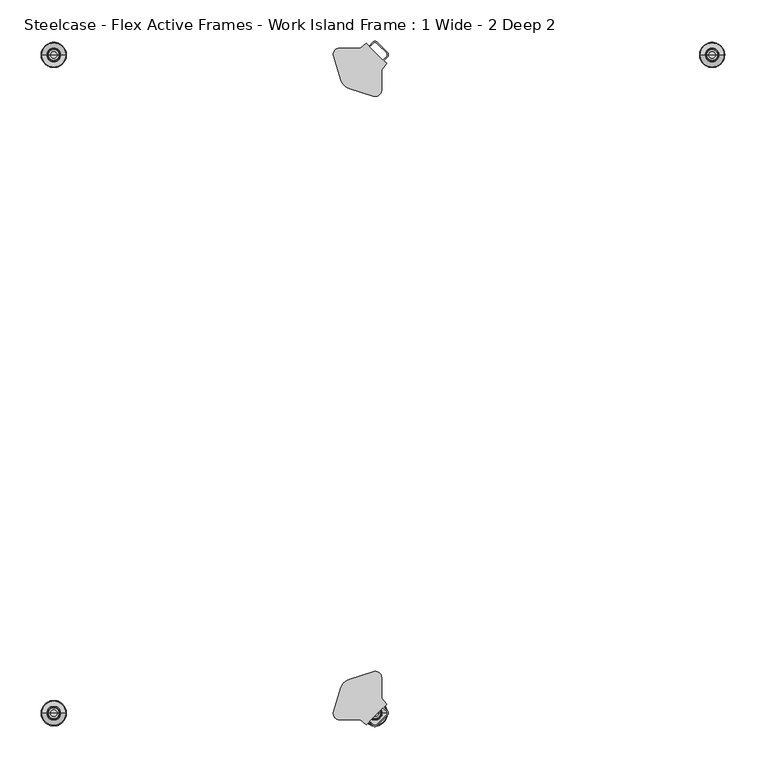
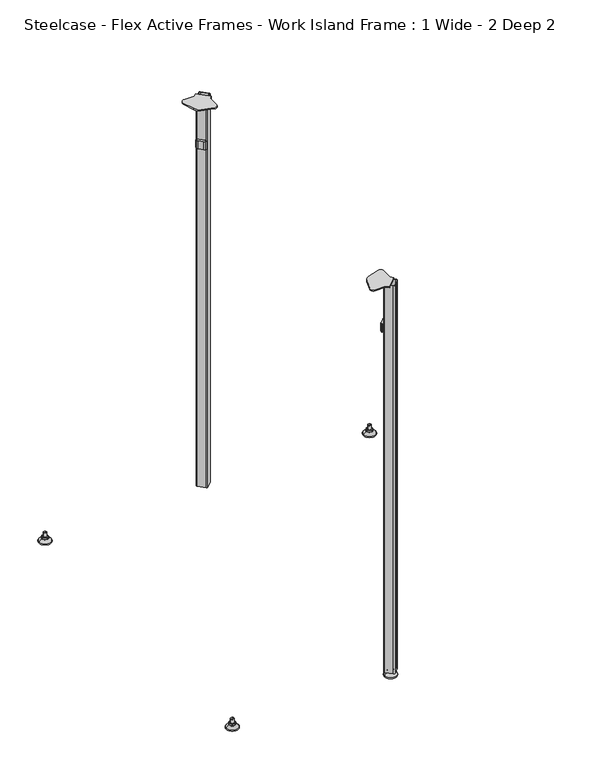
"""IFC4 building model written with IfcOpenShell, lengths in millimetres: furniture geometry, Steelcase - Flex Active Frames - Work Island Frame : 1 Wide - 2 Deep 2."""

from ifc_helpers import new_model, si_unit, point, frame, frame_2d, origin, place, context, project, spatial, polyline, circle_curve, ellipse_curve, trimmed, segment, composite_curve, outline, extrude, source, transform, mapped, element, save
from ifc_brep_helpers import plane_surface, cylinder_surface, revolved_surface, advanced_brep


def steelcase_flex_active_frames_work_island_frame_1_wide_2_deep_d3261eee(model_context):
    return source(origin(), model_context, "Body", "SolidModel", [
        advanced_brep(
        [(795.4995166, 795.4046323, 0.0), (781.5507958, 795.4046323, 0.0), (809.4482375, 795.4046323, 0.0), (780.6038882, 795.4046323, 2.116325), (810.3951451, 795.4046323, 2.116325), (786.7561321, 795.4046323, 8.9997406), (804.2429012, 795.4046323, 8.9997406), (788.0986481, 795.4046323, 8.9997406), (802.9003852, 795.4046323, 8.9997406), (788.0986481, 795.4046323, 12.0919909), (802.9003852, 795.4046323, 12.0919909), (788.6066481, 795.4046323, 12.5999909), (802.3923852, 795.4046323, 12.5999909), (791.4801863, 795.4046323, 12.5999909), (799.518847, 795.4046323, 12.5999909), (791.4801863, 795.4046323, 22.7146261), (799.518847, 795.4046323, 22.7146261), (795.4995166, 795.4046323, 22.7146261)],
        [
            (0, 1),
            (1, 2, circle_curve(frame((795.4995166, 795.4046323, 0.0), z_axis=(0.0, 0.0, -1.0), x_axis=(1.0, 0.0, 0.0)), 13.9487209)),
            (2, 0),
            (2, 1, circle_curve(frame((795.4995166, 795.4046323, 0.0), z_axis=(0.0, 0.0, -1.0), x_axis=(1.0, 0.0, 0.0)), 13.9487209)),
            (1, 3, circle_curve(frame((781.5507958, 795.4046323, 1.27), z_axis=(0.0, 1.0, 0.0), x_axis=(-1.0, 0.0, 0.0)), 1.27)),
            (3, 4, circle_curve(frame((795.4995166, 795.4046323, 2.116325), z_axis=(0.0, 0.0, -1.0), x_axis=(1.0, 0.0, 0.0)), 14.8956285)),
            (4, 2, circle_curve(frame((809.4482375, 795.4046323, 1.27), z_axis=(0.0, 1.0, 0.0), x_axis=(1.0, 0.0, 0.0)), 1.27)),
            (4, 3, circle_curve(frame((795.4995166, 795.4046323, 2.116325), z_axis=(0.0, 0.0, -1.0), x_axis=(1.0, 0.0, 0.0)), 14.8956285)),
            (3, 5),
            (5, 6, circle_curve(frame((795.4995166, 795.4046323, 8.9997406), z_axis=(0.0, 0.0, -1.0), x_axis=(1.0, 0.0, 0.0)), 8.7433846)),
            (6, 4),
            (6, 5, circle_curve(frame((795.4995166, 795.4046323, 8.9997406), z_axis=(0.0, 0.0, -1.0), x_axis=(1.0, 0.0, 0.0)), 8.7433846)),
            (5, 7),
            (7, 8, circle_curve(frame((795.4995166, 795.4046323, 8.9997406), z_axis=(0.0, 0.0, -1.0), x_axis=(1.0, 0.0, 0.0)), 7.4008685)),
            (8, 6),
            (8, 7, circle_curve(frame((795.4995166, 795.4046323, 8.9997406), z_axis=(0.0, 0.0, -1.0), x_axis=(1.0, 0.0, 0.0)), 7.4008685)),
            (7, 9),
            (9, 10, circle_curve(frame((795.4995166, 795.4046323, 12.0919909), z_axis=(0.0, 0.0, -1.0), x_axis=(1.0, 0.0, 0.0)), 7.4008685)),
            (10, 8),
            (10, 9, circle_curve(frame((795.4995166, 795.4046323, 12.0919909), z_axis=(0.0, 0.0, -1.0), x_axis=(1.0, 0.0, 0.0)), 7.4008685)),
            (9, 11, circle_curve(frame((788.6066481, 795.4046323, 12.0919909), z_axis=(0.0, 1.0, 0.0), x_axis=(-1.0, 0.0, 0.0)), 0.508)),
            (11, 12, circle_curve(frame((795.4995166, 795.4046323, 12.5999909), z_axis=(0.0, 0.0, -1.0), x_axis=(1.0, 0.0, 0.0)), 6.8928685)),
            (12, 10, circle_curve(frame((802.3923852, 795.4046323, 12.0919909), z_axis=(0.0, 1.0, 0.0), x_axis=(1.0, 0.0, 0.0)), 0.508)),
            (12, 11, circle_curve(frame((795.4995166, 795.4046323, 12.5999909), z_axis=(0.0, 0.0, -1.0), x_axis=(1.0, 0.0, 0.0)), 6.8928685)),
            (11, 13),
            (13, 14, circle_curve(frame((795.4995166, 795.4046323, 12.5999909), z_axis=(0.0, 0.0, -1.0), x_axis=(1.0, 0.0, 0.0)), 4.0193303)),
            (14, 12),
            (14, 13, circle_curve(frame((795.4995166, 795.4046323, 12.5999909), z_axis=(0.0, 0.0, -1.0), x_axis=(1.0, 0.0, 0.0)), 4.0193303)),
            (13, 15),
            (15, 16, circle_curve(frame((795.4995166, 795.4046323, 22.7146261), z_axis=(0.0, 0.0, -1.0), x_axis=(1.0, 0.0, 0.0)), 4.0193303)),
            (16, 14),
            (16, 15, circle_curve(frame((795.4995166, 795.4046323, 22.7146261), z_axis=(0.0, 0.0, -1.0), x_axis=(1.0, 0.0, 0.0)), 4.0193303)),
            (15, 17),
            (17, 16),
        ],
        [
            plane_surface(frame((795.4995166, 795.4046323, 0.0), z_axis=(0.0, 0.0, -1.0), x_axis=(1.0, 0.0, 0.0))),
            revolved_surface(trimmed(ellipse_curve(frame((809.4482375, 795.4046323, 1.27), z_axis=(0.0, 1.0, 0.0), x_axis=(1.0, 0.0, 0.0)), 1.27, 1.27), [point((810.3951451, 795.4046323, 2.116325))], [point((809.4482375, 795.4046323, 0.0))], True, "CARTESIAN"), (795.4995166, 795.4046323, 32.0514718), (0.0, 0.0, -1.0)),
            revolved_surface(polyline([(804.2429012, 795.4046323, 8.9997406), (810.3951451, 795.4046323, 2.116325)]), (795.4995166, 795.4046323, 32.0514718), (0.0, 0.0, -1.0)),
            plane_surface(frame((795.4995166, 795.4046323, 8.9997406), z_axis=(0.0, 0.0, 1.0), x_axis=(1.0, 0.0, 0.0))),
            cylinder_surface(frame((795.4995166, 795.4046323, 32.0514718), z_axis=(0.0, 0.0, -1.0), x_axis=(1.0, 0.0, 0.0)), 7.4008685),
            revolved_surface(trimmed(ellipse_curve(frame((802.3923852, 795.4046323, 12.0919909), z_axis=(0.0, 1.0, 0.0), x_axis=(1.0, 0.0, 0.0)), 0.508, 0.508), [point((802.3923852, 795.4046323, 12.5999909))], [point((802.9003852, 795.4046323, 12.0919909))], True, "CARTESIAN"), (795.4995166, 795.4046323, 32.0514718), (0.0, 0.0, -1.0)),
            plane_surface(frame((795.4995166, 795.4046323, 12.5999909), z_axis=(0.0, 0.0, 1.0), x_axis=(1.0, 0.0, 0.0))),
            cylinder_surface(frame((795.4995166, 795.4046323, 32.0514718), z_axis=(0.0, 0.0, -1.0), x_axis=(1.0, 0.0, 0.0)), 4.0193303),
            plane_surface(frame((795.4995166, 795.4046323, 22.7146261), z_axis=(0.0, 0.0, 1.0), x_axis=(1.0, 0.0, 0.0))),
        ],
        [
            (0, [[1, 2, 3]]),
            (0, [[-3, 4, -1]]),
            (1, [[5, 6, 7, -2]]),
            (1, [[-7, 8, -5, -4]]),
            (2, [[9, 10, 11, -6]]),
            (2, [[-11, 12, -9, -8]]),
            (3, [[13, 14, 15, -10]]),
            (3, [[-15, 16, -13, -12]]),
            (4, [[17, 18, 19, -14]]),
            (4, [[-19, 20, -17, -16]]),
            (5, [[21, 22, 23, -18]]),
            (5, [[-23, 24, -21, -20]]),
            (6, [[25, 26, 27, -22]]),
            (6, [[-27, 28, -25, -24]]),
            (7, [[29, 30, 31, -26]]),
            (7, [[-31, 32, -29, -28]]),
            (8, [[33, 34, -30]]),
            (8, [[-34, -33, -32]]),
        ],
    ),
        advanced_brep(
        [(386.5595166, -2.9246323, 0.0), (400.5082375, -2.9246323, 0.0), (372.6107958, -2.9246323, 0.0), (401.4551451, -2.9246323, 2.116325), (371.6638882, -2.9246323, 2.116325), (395.3029012, -2.9246323, 8.9997406), (377.8161321, -2.9246323, 8.9997406), (393.9603852, -2.9246323, 8.9997406), (379.1586481, -2.9246323, 8.9997406), (393.9603852, -2.9246323, 12.0919909), (379.1586481, -2.9246323, 12.0919909), (393.4523852, -2.9246323, 12.5999909), (379.6666481, -2.9246323, 12.5999909), (390.578847, -2.9246323, 12.5999909), (382.5401863, -2.9246323, 12.5999909), (390.578847, -2.9246323, 22.7146261), (382.5401863, -2.9246323, 22.7146261), (386.5595166, -2.9246323, 22.7146261)],
        [
            (0, 1),
            (1, 2, circle_curve(frame((386.5595166, -2.9246323, 0.0), z_axis=(0.0, 0.0, -1.0), x_axis=(1.0, 0.0, 0.0)), 13.9487209)),
            (2, 0),
            (2, 1, circle_curve(frame((386.5595166, -2.9246323, 0.0), z_axis=(0.0, 0.0, -1.0), x_axis=(1.0, 0.0, 0.0)), 13.9487209)),
            (1, 3, circle_curve(frame((400.5082375, -2.9246323, 1.27), z_axis=(0.0, -1.0, 0.0), x_axis=(1.0, 0.0, 0.0)), 1.27)),
            (3, 4, circle_curve(frame((386.5595166, -2.9246323, 2.116325), z_axis=(0.0, 0.0, -1.0), x_axis=(1.0, 0.0, 0.0)), 14.8956285)),
            (4, 2, circle_curve(frame((372.6107958, -2.9246323, 1.27), z_axis=(0.0, -1.0, 0.0), x_axis=(-1.0, 0.0, 0.0)), 1.27)),
            (4, 3, circle_curve(frame((386.5595166, -2.9246323, 2.116325), z_axis=(0.0, 0.0, -1.0), x_axis=(1.0, 0.0, 0.0)), 14.8956285)),
            (3, 5),
            (5, 6, circle_curve(frame((386.5595166, -2.9246323, 8.9997406), z_axis=(0.0, 0.0, -1.0), x_axis=(1.0, 0.0, 0.0)), 8.7433846)),
            (6, 4),
            (6, 5, circle_curve(frame((386.5595166, -2.9246323, 8.9997406), z_axis=(0.0, 0.0, -1.0), x_axis=(1.0, 0.0, 0.0)), 8.7433846)),
            (5, 7),
            (7, 8, circle_curve(frame((386.5595166, -2.9246323, 8.9997406), z_axis=(0.0, 0.0, -1.0), x_axis=(1.0, 0.0, 0.0)), 7.4008685)),
            (8, 6),
            (8, 7, circle_curve(frame((386.5595166, -2.9246323, 8.9997406), z_axis=(0.0, 0.0, -1.0), x_axis=(1.0, 0.0, 0.0)), 7.4008685)),
            (7, 9),
            (9, 10, circle_curve(frame((386.5595166, -2.9246323, 12.0919909), z_axis=(0.0, 0.0, -1.0), x_axis=(1.0, 0.0, 0.0)), 7.4008685)),
            (10, 8),
            (10, 9, circle_curve(frame((386.5595166, -2.9246323, 12.0919909), z_axis=(0.0, 0.0, -1.0), x_axis=(1.0, 0.0, 0.0)), 7.4008685)),
            (9, 11, circle_curve(frame((393.4523852, -2.9246323, 12.0919909), z_axis=(0.0, -1.0, 0.0), x_axis=(1.0, 0.0, 0.0)), 0.508)),
            (11, 12, circle_curve(frame((386.5595166, -2.9246323, 12.5999909), z_axis=(0.0, 0.0, -1.0), x_axis=(1.0, 0.0, 0.0)), 6.8928685)),
            (12, 10, circle_curve(frame((379.6666481, -2.9246323, 12.0919909), z_axis=(0.0, -1.0, 0.0), x_axis=(-1.0, 0.0, 0.0)), 0.508)),
            (12, 11, circle_curve(frame((386.5595166, -2.9246323, 12.5999909), z_axis=(0.0, 0.0, -1.0), x_axis=(1.0, 0.0, 0.0)), 6.8928685)),
            (11, 13),
            (13, 14, circle_curve(frame((386.5595166, -2.9246323, 12.5999909), z_axis=(0.0, 0.0, -1.0), x_axis=(1.0, 0.0, 0.0)), 4.0193303)),
            (14, 12),
            (14, 13, circle_curve(frame((386.5595166, -2.9246323, 12.5999909), z_axis=(0.0, 0.0, -1.0), x_axis=(1.0, 0.0, 0.0)), 4.0193303)),
            (13, 15),
            (15, 16, circle_curve(frame((386.5595166, -2.9246323, 22.7146261), z_axis=(0.0, 0.0, -1.0), x_axis=(1.0, 0.0, 0.0)), 4.0193303)),
            (16, 14),
            (16, 15, circle_curve(frame((386.5595166, -2.9246323, 22.7146261), z_axis=(0.0, 0.0, -1.0), x_axis=(1.0, 0.0, 0.0)), 4.0193303)),
            (15, 17),
            (17, 16),
        ],
        [
            plane_surface(frame((386.5595166, -2.9246323, 0.0), z_axis=(0.0, 0.0, -1.0), x_axis=(1.0, 0.0, 0.0))),
            revolved_surface(trimmed(ellipse_curve(frame((400.5082375, -2.9246323, 1.27), z_axis=(0.0, 1.0, 0.0), x_axis=(1.0, 0.0, 0.0)), 1.27, 1.27), [point((401.4551451, -2.9246323, 2.116325))], [point((400.5082375, -2.9246323, 0.0))], True, "CARTESIAN"), (386.5595166, -2.9246323, 32.0514718), (0.0, 0.0, -1.0)),
            revolved_surface(polyline([(395.3029012, -2.9246323, 8.9997406), (401.4551451, -2.9246323, 2.116325)]), (386.5595166, -2.9246323, 32.0514718), (0.0, 0.0, -1.0)),
            plane_surface(frame((386.5595166, -2.9246323, 8.9997406), z_axis=(0.0, 0.0, 1.0), x_axis=(1.0, 0.0, 0.0))),
            cylinder_surface(frame((386.5595166, -2.9246323, 32.0514718), z_axis=(0.0, 0.0, -1.0), x_axis=(1.0, 0.0, 0.0)), 7.4008685),
            revolved_surface(trimmed(ellipse_curve(frame((393.4523852, -2.9246323, 12.0919909), z_axis=(0.0, 1.0, 0.0), x_axis=(1.0, 0.0, 0.0)), 0.508, 0.508), [point((393.4523852, -2.9246323, 12.5999909))], [point((393.9603852, -2.9246323, 12.0919909))], True, "CARTESIAN"), (386.5595166, -2.9246323, 32.0514718), (0.0, 0.0, -1.0)),
            plane_surface(frame((386.5595166, -2.9246323, 12.5999909), z_axis=(0.0, 0.0, 1.0), x_axis=(1.0, 0.0, 0.0))),
            cylinder_surface(frame((386.5595166, -2.9246323, 32.0514718), z_axis=(0.0, 0.0, -1.0), x_axis=(1.0, 0.0, 0.0)), 4.0193303),
            plane_surface(frame((386.5595166, -2.9246323, 22.7146261), z_axis=(0.0, 0.0, 1.0), x_axis=(1.0, 0.0, 0.0))),
        ],
        [
            (0, [[1, 2, 3]]),
            (0, [[-3, 4, -1]]),
            (1, [[-2, 5, 6, 7]]),
            (1, [[-4, -7, 8, -5]]),
            (2, [[-6, 9, 10, 11]]),
            (2, [[-8, -11, 12, -9]]),
            (3, [[-10, 13, 14, 15]]),
            (3, [[-12, -15, 16, -13]]),
            (4, [[-14, 17, 18, 19]]),
            (4, [[-16, -19, 20, -17]]),
            (5, [[-18, 21, 22, 23]]),
            (5, [[-20, -23, 24, -21]]),
            (6, [[-22, 25, 26, 27]]),
            (6, [[-24, -27, 28, -25]]),
            (7, [[-26, 29, 30, 31]]),
            (7, [[-28, -31, 32, -29]]),
            (8, [[-30, 33, 34]]),
            (8, [[-32, -34, -33]]),
        ],
    ),
        advanced_brep(
        [(-3.0195166, 795.4046323, 0.0), (-16.9682375, 795.4046323, 0.0), (10.9292042, 795.4046323, 0.0), (-17.9151451, 795.4046323, 2.116325), (11.8761118, 795.4046323, 2.116325), (-11.7629012, 795.4046323, 8.9997406), (5.7238679, 795.4046323, 8.9997406), (-10.4203852, 795.4046323, 8.9997406), (4.3813519, 795.4046323, 8.9997406), (-10.4203852, 795.4046323, 12.0919909), (4.3813519, 795.4046323, 12.0919909), (-9.9123852, 795.4046323, 12.5999909), (3.8733519, 795.4046323, 12.5999909), (-7.038847, 795.4046323, 12.5999909), (0.9998137, 795.4046323, 12.5999909), (-7.038847, 795.4046323, 22.7146261), (0.9998137, 795.4046323, 22.7146261), (-3.0195166, 795.4046323, 22.7146261)],
        [
            (0, 1),
            (1, 2, circle_curve(frame((-3.0195166, 795.4046323, 0.0), z_axis=(0.0, 0.0, -1.0), x_axis=(-1.0, 0.0, 0.0)), 13.9487209)),
            (2, 0),
            (2, 1, circle_curve(frame((-3.0195166, 795.4046323, 0.0), z_axis=(0.0, 0.0, -1.0), x_axis=(-1.0, 0.0, 0.0)), 13.9487209)),
            (1, 3, circle_curve(frame((-16.9682375, 795.4046323, 1.27), z_axis=(0.0, 1.0, 0.0), x_axis=(-1.0, 0.0, 0.0)), 1.27)),
            (3, 4, circle_curve(frame((-3.0195166, 795.4046323, 2.116325), z_axis=(0.0, 0.0, -1.0), x_axis=(-1.0, 0.0, 0.0)), 14.8956285)),
            (4, 2, circle_curve(frame((10.9292042, 795.4046323, 1.27), z_axis=(0.0, 1.0, 0.0), x_axis=(1.0, 0.0, 0.0)), 1.27)),
            (4, 3, circle_curve(frame((-3.0195166, 795.4046323, 2.116325), z_axis=(0.0, 0.0, -1.0), x_axis=(-1.0, 0.0, 0.0)), 14.8956285)),
            (3, 5),
            (5, 6, circle_curve(frame((-3.0195166, 795.4046323, 8.9997406), z_axis=(0.0, 0.0, -1.0), x_axis=(-1.0, 0.0, 0.0)), 8.7433846)),
            (6, 4),
            (6, 5, circle_curve(frame((-3.0195166, 795.4046323, 8.9997406), z_axis=(0.0, 0.0, -1.0), x_axis=(-1.0, 0.0, 0.0)), 8.7433846)),
            (5, 7),
            (7, 8, circle_curve(frame((-3.0195166, 795.4046323, 8.9997406), z_axis=(0.0, 0.0, -1.0), x_axis=(-1.0, 0.0, 0.0)), 7.4008685)),
            (8, 6),
            (8, 7, circle_curve(frame((-3.0195166, 795.4046323, 8.9997406), z_axis=(0.0, 0.0, -1.0), x_axis=(-1.0, 0.0, 0.0)), 7.4008685)),
            (7, 9),
            (9, 10, circle_curve(frame((-3.0195166, 795.4046323, 12.0919909), z_axis=(0.0, 0.0, -1.0), x_axis=(-1.0, 0.0, 0.0)), 7.4008685)),
            (10, 8),
            (10, 9, circle_curve(frame((-3.0195166, 795.4046323, 12.0919909), z_axis=(0.0, 0.0, -1.0), x_axis=(-1.0, 0.0, 0.0)), 7.4008685)),
            (9, 11, circle_curve(frame((-9.9123852, 795.4046323, 12.0919909), z_axis=(0.0, 1.0, 0.0), x_axis=(-1.0, 0.0, 0.0)), 0.508)),
            (11, 12, circle_curve(frame((-3.0195166, 795.4046323, 12.5999909), z_axis=(0.0, 0.0, -1.0), x_axis=(-1.0, 0.0, 0.0)), 6.8928685)),
            (12, 10, circle_curve(frame((3.8733519, 795.4046323, 12.0919909), z_axis=(0.0, 1.0, 0.0), x_axis=(1.0, 0.0, 0.0)), 0.508)),
            (12, 11, circle_curve(frame((-3.0195166, 795.4046323, 12.5999909), z_axis=(0.0, 0.0, -1.0), x_axis=(-1.0, 0.0, 0.0)), 6.8928685)),
            (11, 13),
            (13, 14, circle_curve(frame((-3.0195166, 795.4046323, 12.5999909), z_axis=(0.0, 0.0, -1.0), x_axis=(-1.0, 0.0, 0.0)), 4.0193303)),
            (14, 12),
            (14, 13, circle_curve(frame((-3.0195166, 795.4046323, 12.5999909), z_axis=(0.0, 0.0, -1.0), x_axis=(-1.0, 0.0, 0.0)), 4.0193303)),
            (13, 15),
            (15, 16, circle_curve(frame((-3.0195166, 795.4046323, 22.7146261), z_axis=(0.0, 0.0, -1.0), x_axis=(-1.0, 0.0, 0.0)), 4.0193303)),
            (16, 14),
            (16, 15, circle_curve(frame((-3.0195166, 795.4046323, 22.7146261), z_axis=(0.0, 0.0, -1.0), x_axis=(-1.0, 0.0, 0.0)), 4.0193303)),
            (15, 17),
            (17, 16),
        ],
        [
            plane_surface(frame((-3.0195166, 795.4046323, 0.0), z_axis=(0.0, 0.0, -1.0), x_axis=(-1.0, 0.0, 0.0))),
            revolved_surface(trimmed(ellipse_curve(frame((-16.9682375, 795.4046323, 1.27), z_axis=(0.0, -1.0, 0.0), x_axis=(-1.0, 0.0, 0.0)), 1.27, 1.27), [point((-17.9151451, 795.4046323, 2.116325))], [point((-16.9682375, 795.4046323, 0.0))], True, "CARTESIAN"), (-3.0195166, 795.4046323, 32.0514718), (0.0, 0.0, -1.0)),
            revolved_surface(polyline([(-11.7629012, 795.4046323, 8.9997406), (-17.9151451, 795.4046323, 2.116325)]), (-3.0195166, 795.4046323, 32.0514718), (0.0, 0.0, -1.0)),
            plane_surface(frame((-3.0195166, 795.4046323, 8.9997406), z_axis=(0.0, 0.0, 1.0), x_axis=(-1.0, 0.0, 0.0))),
            cylinder_surface(frame((-3.0195166, 795.4046323, 32.0514718), z_axis=(0.0, 0.0, -1.0), x_axis=(-1.0, 0.0, 0.0)), 7.4008685),
            revolved_surface(trimmed(ellipse_curve(frame((-9.9123852, 795.4046323, 12.0919909), z_axis=(0.0, -1.0, 0.0), x_axis=(-1.0, 0.0, 0.0)), 0.508, 0.508), [point((-9.9123852, 795.4046323, 12.5999909))], [point((-10.4203852, 795.4046323, 12.0919909))], True, "CARTESIAN"), (-3.0195166, 795.4046323, 32.0514718), (0.0, 0.0, -1.0)),
            plane_surface(frame((-3.0195166, 795.4046323, 12.5999909), z_axis=(0.0, 0.0, 1.0), x_axis=(-1.0, 0.0, 0.0))),
            cylinder_surface(frame((-3.0195166, 795.4046323, 32.0514718), z_axis=(0.0, 0.0, -1.0), x_axis=(-1.0, 0.0, 0.0)), 4.0193303),
            plane_surface(frame((-3.0195166, 795.4046323, 22.7146261), z_axis=(0.0, 0.0, 1.0), x_axis=(-1.0, 0.0, 0.0))),
        ],
        [
            (0, [[1, 2, 3]]),
            (0, [[-3, 4, -1]]),
            (1, [[-2, 5, 6, 7]]),
            (1, [[-4, -7, 8, -5]]),
            (2, [[-6, 9, 10, 11]]),
            (2, [[-8, -11, 12, -9]]),
            (3, [[-10, 13, 14, 15]]),
            (3, [[-12, -15, 16, -13]]),
            (4, [[-14, 17, 18, 19]]),
            (4, [[-16, -19, 20, -17]]),
            (5, [[-18, 21, 22, 23]]),
            (5, [[-20, -23, 24, -21]]),
            (6, [[-22, 25, 26, 27]]),
            (6, [[-24, -27, 28, -25]]),
            (7, [[-26, 29, 30, 31]]),
            (7, [[-28, -31, 32, -29]]),
            (8, [[-30, 33, 34]]),
            (8, [[-32, -34, -33]]),
        ],
    ),
        advanced_brep(
        [(-3.0195166, -2.9246323, 0.0), (10.9292042, -2.9246323, 0.0), (-16.9682375, -2.9246323, 0.0), (11.8761118, -2.9246323, 2.116325), (-17.9151451, -2.9246323, 2.116325), (5.7238679, -2.9246323, 8.9997406), (-11.7629012, -2.9246323, 8.9997406), (4.3813519, -2.9246323, 8.9997406), (-10.4203852, -2.9246323, 8.9997406), (4.3813519, -2.9246323, 12.0919909), (-10.4203852, -2.9246323, 12.0919909), (3.8733519, -2.9246323, 12.5999909), (-9.9123852, -2.9246323, 12.5999909), (0.9998137, -2.9246323, 12.5999909), (-7.038847, -2.9246323, 12.5999909), (0.9998137, -2.9246323, 22.7146261), (-7.038847, -2.9246323, 22.7146261), (-3.0195166, -2.9246323, 22.7146261)],
        [
            (0, 1),
            (1, 2, circle_curve(frame((-3.0195166, -2.9246323, 0.0), z_axis=(0.0, 0.0, -1.0), x_axis=(-1.0, 0.0, 0.0)), 13.9487209)),
            (2, 0),
            (2, 1, circle_curve(frame((-3.0195166, -2.9246323, 0.0), z_axis=(0.0, 0.0, -1.0), x_axis=(-1.0, 0.0, 0.0)), 13.9487209)),
            (1, 3, circle_curve(frame((10.9292042, -2.9246323, 1.27), z_axis=(0.0, -1.0, 0.0), x_axis=(1.0, 0.0, 0.0)), 1.27)),
            (3, 4, circle_curve(frame((-3.0195166, -2.9246323, 2.116325), z_axis=(0.0, 0.0, -1.0), x_axis=(-1.0, 0.0, 0.0)), 14.8956285)),
            (4, 2, circle_curve(frame((-16.9682375, -2.9246323, 1.27), z_axis=(0.0, -1.0, 0.0), x_axis=(-1.0, 0.0, 0.0)), 1.27)),
            (4, 3, circle_curve(frame((-3.0195166, -2.9246323, 2.116325), z_axis=(0.0, 0.0, -1.0), x_axis=(-1.0, 0.0, 0.0)), 14.8956285)),
            (3, 5),
            (5, 6, circle_curve(frame((-3.0195166, -2.9246323, 8.9997406), z_axis=(0.0, 0.0, -1.0), x_axis=(-1.0, 0.0, 0.0)), 8.7433846)),
            (6, 4),
            (6, 5, circle_curve(frame((-3.0195166, -2.9246323, 8.9997406), z_axis=(0.0, 0.0, -1.0), x_axis=(-1.0, 0.0, 0.0)), 8.7433846)),
            (5, 7),
            (7, 8, circle_curve(frame((-3.0195166, -2.9246323, 8.9997406), z_axis=(0.0, 0.0, -1.0), x_axis=(-1.0, 0.0, 0.0)), 7.4008685)),
            (8, 6),
            (8, 7, circle_curve(frame((-3.0195166, -2.9246323, 8.9997406), z_axis=(0.0, 0.0, -1.0), x_axis=(-1.0, 0.0, 0.0)), 7.4008685)),
            (7, 9),
            (9, 10, circle_curve(frame((-3.0195166, -2.9246323, 12.0919909), z_axis=(0.0, 0.0, -1.0), x_axis=(-1.0, 0.0, 0.0)), 7.4008685)),
            (10, 8),
            (10, 9, circle_curve(frame((-3.0195166, -2.9246323, 12.0919909), z_axis=(0.0, 0.0, -1.0), x_axis=(-1.0, 0.0, 0.0)), 7.4008685)),
            (9, 11, circle_curve(frame((3.8733519, -2.9246323, 12.0919909), z_axis=(0.0, -1.0, 0.0), x_axis=(1.0, 0.0, 0.0)), 0.508)),
            (11, 12, circle_curve(frame((-3.0195166, -2.9246323, 12.5999909), z_axis=(0.0, 0.0, -1.0), x_axis=(-1.0, 0.0, 0.0)), 6.8928685)),
            (12, 10, circle_curve(frame((-9.9123852, -2.9246323, 12.0919909), z_axis=(0.0, -1.0, 0.0), x_axis=(-1.0, 0.0, 0.0)), 0.508)),
            (12, 11, circle_curve(frame((-3.0195166, -2.9246323, 12.5999909), z_axis=(0.0, 0.0, -1.0), x_axis=(-1.0, 0.0, 0.0)), 6.8928685)),
            (11, 13),
            (13, 14, circle_curve(frame((-3.0195166, -2.9246323, 12.5999909), z_axis=(0.0, 0.0, -1.0), x_axis=(-1.0, 0.0, 0.0)), 4.0193303)),
            (14, 12),
            (14, 13, circle_curve(frame((-3.0195166, -2.9246323, 12.5999909), z_axis=(0.0, 0.0, -1.0), x_axis=(-1.0, 0.0, 0.0)), 4.0193303)),
            (13, 15),
            (15, 16, circle_curve(frame((-3.0195166, -2.9246323, 22.7146261), z_axis=(0.0, 0.0, -1.0), x_axis=(-1.0, 0.0, 0.0)), 4.0193303)),
            (16, 14),
            (16, 15, circle_curve(frame((-3.0195166, -2.9246323, 22.7146261), z_axis=(0.0, 0.0, -1.0), x_axis=(-1.0, 0.0, 0.0)), 4.0193303)),
            (15, 17),
            (17, 16),
        ],
        [
            plane_surface(frame((-3.0195166, -2.9246323, 0.0), z_axis=(0.0, 0.0, -1.0), x_axis=(-1.0, 0.0, 0.0))),
            revolved_surface(trimmed(ellipse_curve(frame((-16.9682375, -2.9246323, 1.27), z_axis=(0.0, -1.0, 0.0), x_axis=(-1.0, 0.0, 0.0)), 1.27, 1.27), [point((-17.9151451, -2.9246323, 2.116325))], [point((-16.9682375, -2.9246323, 0.0))], True, "CARTESIAN"), (-3.0195166, -2.9246323, 32.0514718), (0.0, 0.0, -1.0)),
            revolved_surface(polyline([(-11.7629012, -2.9246323, 8.9997406), (-17.9151451, -2.9246323, 2.116325)]), (-3.0195166, -2.9246323, 32.0514718), (0.0, 0.0, -1.0)),
            plane_surface(frame((-3.0195166, -2.9246323, 8.9997406), z_axis=(0.0, 0.0, 1.0), x_axis=(-1.0, 0.0, 0.0))),
            cylinder_surface(frame((-3.0195166, -2.9246323, 32.0514718), z_axis=(0.0, 0.0, -1.0), x_axis=(-1.0, 0.0, 0.0)), 7.4008685),
            revolved_surface(trimmed(ellipse_curve(frame((-9.9123852, -2.9246323, 12.0919909), z_axis=(0.0, -1.0, 0.0), x_axis=(-1.0, 0.0, 0.0)), 0.508, 0.508), [point((-9.9123852, -2.9246323, 12.5999909))], [point((-10.4203852, -2.9246323, 12.0919909))], True, "CARTESIAN"), (-3.0195166, -2.9246323, 32.0514718), (0.0, 0.0, -1.0)),
            plane_surface(frame((-3.0195166, -2.9246323, 12.5999909), z_axis=(0.0, 0.0, 1.0), x_axis=(-1.0, 0.0, 0.0))),
            cylinder_surface(frame((-3.0195166, -2.9246323, 32.0514718), z_axis=(0.0, 0.0, -1.0), x_axis=(-1.0, 0.0, 0.0)), 4.0193303),
            plane_surface(frame((-3.0195166, -2.9246323, 22.7146261), z_axis=(0.0, 0.0, 1.0), x_axis=(-1.0, 0.0, 0.0))),
        ],
        [
            (0, [[1, 2, 3]]),
            (0, [[-3, 4, -1]]),
            (1, [[5, 6, 7, -2]]),
            (1, [[-7, 8, -5, -4]]),
            (2, [[9, 10, 11, -6]]),
            (2, [[-11, 12, -9, -8]]),
            (3, [[13, 14, 15, -10]]),
            (3, [[-15, 16, -13, -12]]),
            (4, [[17, 18, 19, -14]]),
            (4, [[-19, 20, -17, -16]]),
            (5, [[21, 22, 23, -18]]),
            (5, [[-23, 24, -21, -20]]),
            (6, [[25, 26, 27, -22]]),
            (6, [[-27, 28, -25, -24]]),
            (7, [[29, 30, 31, -26]]),
            (7, [[-31, 32, -29, -28]]),
            (8, [[33, 34, -30]]),
            (8, [[-34, -33, -32]]),
        ],
    ),
        advanced_brep(
        [(402.0690767, -5.1536029, 1021.9997307), (402.0690505, -0.8430799, 1021.9997307), (397.1542669, 4.0716438, 1021.9997307), (400.6052617, 7.5233295, 1021.9997307), (394.5290821, 14.9855194, 1021.9997307), (394.5289425, 40.0111633, 1021.9997307), (384.6106201, 47.2762508, 1021.9997307), (356.0697439, 38.2473507, 1021.9997307), (345.3077907, 27.4842379, 1021.9997307), (336.281606, -1.0587489, 1021.9997307), (343.5469013, -10.9762884, 1021.9997307), (368.5650662, -10.9765587, 1021.9997307), (375.9730949, -17.1137694, 1021.9997307), (379.4829148, -13.6032467, 1021.9997307), (384.3959936, -18.5163256, 1021.9997307), (388.7065297, -18.5163124, 1021.9997307), (400.1037788, -5.1536214, 1021.9997307), (388.7063372, -16.5510629, 1021.9997307), (384.3957986, -16.5510473, 1021.9997307), (380.4653866, -12.6205781, 1021.9997307), (396.171731, 3.0889111, 1021.9997307), (400.1037683, -0.843088, 1021.9997307), (402.0690767, -5.1536029, 12.5999909), (388.7065297, -18.5163124, 12.5999909), (384.3959936, -18.5163256, 12.5999909), (371.0332965, -5.1536284, 12.5999909), (371.0332856, -0.8431164, 12.5999909), (384.3957649, 12.5194983, 12.5999909), (388.7062856, 12.5195224, 12.5999909), (402.0690505, -0.8430799, 12.5999909), (400.1037788, -5.1536214, 12.5999909), (400.1037683, -0.843088, 12.5999909), (388.70628, 10.5542897, 12.5999909), (384.3957675, 10.5542792, 12.5999909), (372.9984643, -0.843024, 12.5999909), (372.9984486, -5.1535313, 12.5999909), (384.3957986, -16.5510473, 12.5999909), (388.7063372, -16.5510629, 12.5999909), (379.4829148, -13.6032467, 1019.0034988), (371.0332965, -5.1536284, 1019.0034988), (371.0332856, -0.8431164, 1019.0034988), (384.3957649, 12.5194983, 1019.0034988), (388.7062856, 12.5195224, 1019.0034988), (397.1542669, 4.0716438, 1019.0034988), (396.171731, 3.0889111, 1019.0034988), (388.70628, 10.5542897, 1019.0034988), (384.3957675, 10.5542792, 1019.0034988), (372.9984643, -0.843024, 1019.0034988), (372.9984486, -5.1535313, 1019.0034988), (380.4653866, -12.6205781, 1019.0034988), (400.6052617, 7.5233295, 1019.0034988), (375.9730949, -17.1137694, 1019.0034988), (368.5650662, -10.9765587, 1019.0034988), (343.5469013, -10.9762884, 1019.0034988), (336.281606, -1.0587489, 1019.0034988), (345.3077907, 27.4842379, 1019.0034988), (356.0697439, 38.2473507, 1019.0034988), (384.6106201, 47.2762508, 1019.0034988), (394.5289425, 40.0111633, 1019.0034988), (394.5290821, 14.9855194, 1019.0034988)],
        [
            (0, 1, circle_curve(frame((399.9138021, -2.9983545, 1021.9997307), z_axis=(0.0, 0.0, 1.0), x_axis=(1.0, 0.0, 0.0)), 3.048)),
            (1, 2),
            (2, 3),
            (3, 4),
            (4, 5),
            (5, 6, circle_curve(frame((386.9089425, 40.0111207, 1021.9997307), z_axis=(0.0, 0.0, 1.0), x_axis=(1.0, 0.0, 0.0)), 7.62)),
            (6, 7),
            (7, 8, circle_curve(frame((361.0494422, 22.5062356, 1021.9997307), z_axis=(0.0, 0.0, 1.0), x_axis=(1.0, 0.0, 0.0)), 16.51)),
            (8, 9),
            (9, 10, circle_curve(frame((343.5469836, -3.3562884, 1021.9997307), z_axis=(0.0, 0.0, 1.0), x_axis=(1.0, 0.0, 0.0)), 7.62)),
            (10, 11),
            (11, 12),
            (12, 13),
            (13, 14),
            (14, 15, circle_curve(frame((386.5512551, -16.3610641, 1021.9997307), z_axis=(0.0, 0.0, 1.0), x_axis=(1.0, 0.0, 0.0)), 3.048)),
            (15, 0),
            (16, 17),
            (17, 18, circle_curve(frame((386.5510758, -14.3958015, 1021.9997307), z_axis=(0.0, 0.0, -1.0), x_axis=(1.0, 0.0, 0.0)), 3.048)),
            (18, 19),
            (19, 20),
            (20, 21),
            (21, 16, circle_curve(frame((397.9485173, -2.9983599, 1021.9997307), z_axis=(0.0, 0.0, -1.0), x_axis=(1.0, 0.0, 0.0)), 3.048)),
            (22, 23),
            (23, 24, circle_curve(frame((386.5512551, -16.3610641, 12.5999909), z_axis=(0.0, 0.0, -1.0), x_axis=(1.0, 0.0, 0.0)), 3.048)),
            (24, 25),
            (25, 26, circle_curve(frame((373.188558, -2.998367, 12.5999909), z_axis=(0.0, 0.0, -1.0), x_axis=(1.0, 0.0, 0.0)), 3.048)),
            (26, 27),
            (27, 28, circle_curve(frame((386.5510373, 10.3642478, 12.5999909), z_axis=(0.0, 0.0, -1.0), x_axis=(1.0, 0.0, 0.0)), 3.048)),
            (28, 29),
            (29, 22, circle_curve(frame((399.9138021, -2.9983545, 12.5999909), z_axis=(0.0, 0.0, -1.0), x_axis=(1.0, 0.0, 0.0)), 3.048)),
            (30, 31, circle_curve(frame((397.9485173, -2.9983599, 12.5999909), z_axis=(0.0, 0.0, 1.0), x_axis=(1.0, 0.0, 0.0)), 3.048)),
            (31, 32),
            (32, 33, circle_curve(frame((386.551029, 8.3990177, 12.5999909), z_axis=(0.0, 0.0, 1.0), x_axis=(1.0, 0.0, 0.0)), 3.048)),
            (33, 34),
            (34, 35, circle_curve(frame((375.1537257, -2.9982855, 12.5999909), z_axis=(0.0, 0.0, 1.0), x_axis=(1.0, 0.0, 0.0)), 3.048)),
            (35, 36),
            (36, 37, circle_curve(frame((386.5510758, -14.3958015, 12.5999909), z_axis=(0.0, 0.0, 1.0), x_axis=(1.0, 0.0, 0.0)), 3.048)),
            (37, 30),
            (15, 23),
            (22, 0),
            (14, 24),
            (13, 38),
            (38, 39),
            (39, 25),
            (39, 40, circle_curve(frame((373.188558, -2.998367, 1019.0034988), z_axis=(0.0, 0.0, -1.0), x_axis=(1.0, 0.0, 0.0)), 3.048)),
            (40, 26),
            (40, 41),
            (41, 27),
            (41, 42, circle_curve(frame((386.5510373, 10.3642478, 1019.0034988), z_axis=(0.0, 0.0, -1.0), x_axis=(1.0, 0.0, 0.0)), 3.048)),
            (42, 28),
            (42, 43),
            (43, 2),
            (1, 29),
            (21, 31),
            (30, 16),
            (20, 44),
            (44, 45),
            (45, 32),
            (45, 46, circle_curve(frame((386.551029, 8.3990177, 1019.0034988), z_axis=(0.0, 0.0, 1.0), x_axis=(1.0, 0.0, 0.0)), 3.048)),
            (46, 33),
            (46, 47),
            (47, 34),
            (47, 48, circle_curve(frame((375.1537257, -2.9982855, 1019.0034988), z_axis=(0.0, 0.0, 1.0), x_axis=(1.0, 0.0, 0.0)), 3.048)),
            (48, 35),
            (48, 49),
            (49, 19),
            (18, 36),
            (17, 37),
            (44, 49),
            (50, 43),
            (38, 51),
            (51, 52),
            (52, 53),
            (53, 54, circle_curve(frame((343.5469836, -3.3562884, 1019.0034988), z_axis=(0.0, 0.0, -1.0), x_axis=(1.0, 0.0, 0.0)), 7.62)),
            (54, 55),
            (55, 56, circle_curve(frame((361.0494422, 22.5062356, 1019.0034988), z_axis=(0.0, 0.0, -1.0), x_axis=(1.0, 0.0, 0.0)), 16.51)),
            (56, 57),
            (57, 58, circle_curve(frame((386.9089425, 40.0111207, 1019.0034988), z_axis=(0.0, 0.0, -1.0), x_axis=(1.0, 0.0, 0.0)), 7.62)),
            (58, 59),
            (59, 50),
            (11, 52),
            (51, 12),
            (10, 53),
            (9, 54),
            (8, 55),
            (7, 56),
            (6, 57),
            (5, 58),
            (4, 59),
            (3, 50),
        ],
        [
            plane_surface(frame((388.7065297, -18.5163124, 1021.9997307), z_axis=(0.0, 0.0, 1.0), x_axis=(-0.7071024799588432, -0.7071110823880883, 0.0))),
            plane_surface(frame((388.7065297, -18.5163124, 12.5999909), z_axis=(0.0, 0.0, -1.0), x_axis=(0.7071024799588432, 0.7071110823880883, 0.0))),
            plane_surface(frame((402.0690767, -5.1536029, 1021.9997307), z_axis=(0.7071110823880883, -0.7071024799588432, 0.0), x_axis=(0.0, 0.0, -1.0))),
            cylinder_surface(frame((386.5512551, -16.3610641, 12.5999909), z_axis=(0.0, 0.0, 1.0), x_axis=(1.0, 0.0, 0.0)), 3.048),
            plane_surface(frame((384.3959936, -18.5163256, 1021.9997307), z_axis=(-0.7071067811865401, -0.7071067811865549, 0.0), x_axis=(0.0, 0.0, -1.0))),
            cylinder_surface(frame((373.188558, -2.998367, 12.5999909), z_axis=(0.0, 0.0, 1.0), x_axis=(1.0, 0.0, 0.0)), 3.048),
            plane_surface(frame((371.0332856, -0.8431164, 1021.9997307), z_axis=(-0.7071103654975411, 0.707103196857385, 0.0), x_axis=(0.0, 0.0, -1.0))),
            cylinder_surface(frame((386.5510373, 10.3642478, 12.5999909), z_axis=(0.0, 0.0, 1.0), x_axis=(1.0, 0.0, 0.0)), 3.048),
            plane_surface(frame((388.7062856, 12.5195224, 1021.9997307), z_axis=(0.7071024799413701, 0.7071110824055613, 0.0), x_axis=(0.0, 0.0, -1.0))),
            cylinder_surface(frame((399.9138021, -2.9983545, 12.5999909), z_axis=(0.0, 0.0, 1.0), x_axis=(1.0, 0.0, 0.0)), 3.048),
            revolved_surface(polyline([(400.9965173, -2.9983599, 12.5999909), (400.9965173, -2.9983599, 1021.9997307)]), (397.9485173, -2.9983599, 0.0), (0.0, 0.0, -1.0)),
            plane_surface(frame((400.1037683, -0.843088, 1021.9997307), z_axis=(-0.7071033492041388, -0.7071102131522992, 0.0), x_axis=(0.0, 0.0, -1.0))),
            revolved_surface(polyline([(389.59902900000003, 8.3990177, 12.5999909), (389.59902900000003, 8.3990177, 1019.0034988)]), (386.551029, 8.3990177, 0.0), (0.0, 0.0, -1.0)),
            plane_surface(frame((384.3957675, 10.5542792, 1021.9997307), z_axis=(0.7071067811865467, -0.7071067811865483, 0.0), x_axis=(0.0, 0.0, -1.0))),
            revolved_surface(polyline([(378.2017257, -2.9982855, 12.5999909), (378.2017257, -2.9982855, 1019.0034988)]), (375.1537257, -2.9982855, 0.0), (0.0, 0.0, -1.0)),
            plane_surface(frame((372.9984486, -5.1535313, 1021.9997307), z_axis=(0.707111929216385, 0.7071016331192301, 0.0), x_axis=(0.0, 0.0, -1.0))),
            revolved_surface(polyline([(389.5990758, -14.3958015, 12.5999909), (389.5990758, -14.3958015, 1021.9997307)]), (386.5510758, -14.3958015, 0.0), (0.0, 0.0, -1.0)),
            plane_surface(frame((388.7063372, -16.5510629, 1021.9997307), z_axis=(-0.7071067811865451, 0.7071067811865499, 0.0), x_axis=(0.0, 0.0, -1.0))),
            plane_surface(frame((368.5650662, -10.9765587, 1019.0034988), z_axis=(0.0, 0.0, -1.0000000000000002), x_axis=(0.7700660009129411, -0.6379642264562727, 0.0))),
            plane_surface(frame((375.9730949, -17.1137694, 1021.9997307), z_axis=(-0.6379642264562727, -0.7700660009129411, 0.0), x_axis=(0.0, 0.0, -1.0))),
            plane_surface(frame((368.5650662, -10.9765587, 1021.9997307), z_axis=(-1.0801644007307377e-05, -0.9999999999416622, 0.0), x_axis=(0.0, 0.0, -1.0))),
            cylinder_surface(frame((343.5469836, -3.3562884, 1019.0034988), z_axis=(0.0, 0.0, 1.0), x_axis=(1.0, 0.0, 0.0)), 7.62),
            plane_surface(frame((336.281606, -1.0587489, 1021.9997307), z_axis=(-0.9534616310857704, 0.30151437452841673, 0.0), x_axis=(0.0, 0.0, -1.0))),
            cylinder_surface(frame((361.0494422, 22.5062356, 1019.0034988), z_axis=(0.0, 0.0, 1.0), x_axis=(1.0, 0.0, 0.0)), 16.51),
            plane_surface(frame((356.0697439, 38.2473507, 1021.9997307), z_axis=(-0.30161710398598385, 0.9534291387319292, 0.0), x_axis=(0.0, 0.0, -1.0))),
            cylinder_surface(frame((386.9089425, 40.0111207, 1019.0034988), z_axis=(0.0, 0.0, 1.0), x_axis=(1.0, 0.0, 0.0)), 7.62),
            plane_surface(frame((394.5289425, 40.0111633, 1021.9997307), z_axis=(0.9999999999844242, 5.581369365010606e-06, 0.0), x_axis=(0.0, 0.0, -1.0))),
            plane_surface(frame((394.5290821, 14.9855194, 1021.9997307), z_axis=(0.7754447692196412, 0.6314154020056031, 0.0), x_axis=(0.0, 0.0, -1.0))),
            plane_surface(frame((400.6052617, 7.5233295, 1021.9997307), z_axis=(0.7071775627178662, -0.7070359925692739, 0.0), x_axis=(0.0, 0.0, -1.0))),
        ],
        [
            (0, [[1, 2, 3, 4, 5, 6, 7, 8, 9, 10, 11, 12, 13, 14, 15, 16], [17, 18, 19, 20, 21, 22]]),
            (1, [[23, 24, 25, 26, 27, 28, 29, 30], [31, 32, 33, 34, 35, 36, 37, 38]]),
            (2, [[39, -23, 40, -16]]),
            (3, [[41, -24, -39, -15]]),
            (4, [[-41, -14, 42, 43, 44, -25]]),
            (5, [[-44, 45, 46, -26]]),
            (6, [[-46, 47, 48, -27]]),
            (7, [[-48, 49, 50, -28]]),
            (8, [[-50, 51, 52, -2, 53, -29]]),
            (9, [[-40, -30, -53, -1]]),
            (10, [[54, -31, 55, -22]]),
            (11, [[-54, -21, 56, 57, 58, -32]]),
            (12, [[-58, 59, 60, -33]]),
            (13, [[-60, 61, 62, -34]]),
            (14, [[-62, 63, 64, -35]]),
            (15, [[-64, 65, 66, -19, 67, -36]]),
            (16, [[68, -37, -67, -18]]),
            (17, [[-55, -38, -68, -17]]),
            (18, [[-65, -63, -61, -59, -57, 69]]),
            (18, [[70, -51, -49, -47, -45, -43, 71, 72, 73, 74, 75, 76, 77, 78, 79, 80]]),
            (19, [[81, -72, 82, -12]]),
            (20, [[83, -73, -81, -11]]),
            (21, [[84, -74, -83, -10]]),
            (22, [[85, -75, -84, -9]]),
            (23, [[86, -76, -85, -8]]),
            (24, [[87, -77, -86, -7]]),
            (25, [[88, -78, -87, -6]]),
            (26, [[89, -79, -88, -5]]),
            (27, [[90, -80, -89, -4]]),
            (28, [[-3, -52, -70, -90]]),
            (28, [[-66, -69, -56, -20]]),
            (28, [[-71, -42, -13, -82]]),
        ],
    ),
        advanced_brep(
        [(402.0690767, 797.6336029, 1021.9997307), (388.7065297, 810.9963124, 1021.9997307), (384.3959936, 810.9963256, 1021.9997307), (379.4829148, 806.0832467, 1021.9997307), (375.9730949, 809.5937694, 1021.9997307), (368.5650662, 803.4565587, 1021.9997307), (343.5469013, 803.4562884, 1021.9997307), (336.281606, 793.5387489, 1021.9997307), (345.3077907, 764.9957621, 1021.9997307), (356.0697439, 754.2326493, 1021.9997307), (384.6106201, 745.2037492, 1021.9997307), (394.5289425, 752.4688367, 1021.9997307), (394.5290821, 777.4944806, 1021.9997307), (400.6052617, 784.9566705, 1021.9997307), (397.1542669, 788.4083562, 1021.9997307), (402.0690505, 793.3230799, 1021.9997307), (400.1037788, 797.6336214, 1021.9997307), (400.1037683, 793.323088, 1021.9997307), (396.171731, 789.3910889, 1021.9997307), (380.4653866, 805.1005781, 1021.9997307), (384.3957986, 809.0310473, 1021.9997307), (388.7063372, 809.0310629, 1021.9997307), (402.0690767, 797.6336029, 12.5999909), (402.0690505, 793.3230799, 12.5999909), (388.7062856, 779.9604776, 12.5999909), (384.3957649, 779.9605017, 12.5999909), (371.0332856, 793.3231164, 12.5999909), (371.0332965, 797.6336284, 12.5999909), (384.3959936, 810.9963256, 12.5999909), (388.7065297, 810.9963124, 12.5999909), (400.1037788, 797.6336214, 12.5999909), (388.7063372, 809.0310629, 12.5999909), (384.3957986, 809.0310473, 12.5999909), (372.9984486, 797.6335313, 12.5999909), (372.9984643, 793.323024, 12.5999909), (384.3957675, 781.9257208, 12.5999909), (388.70628, 781.9257103, 12.5999909), (400.1037683, 793.323088, 12.5999909), (397.1542669, 788.4083562, 1019.0034988), (388.7062856, 779.9604776, 1019.0034988), (384.3957649, 779.9605017, 1019.0034988), (371.0332856, 793.3231164, 1019.0034988), (371.0332965, 797.6336284, 1019.0034988), (379.4829148, 806.0832467, 1019.0034988), (380.4653866, 805.1005781, 1019.0034988), (372.9984486, 797.6335313, 1019.0034988), (372.9984643, 793.323024, 1019.0034988), (384.3957675, 781.9257208, 1019.0034988), (388.70628, 781.9257103, 1019.0034988), (396.171731, 789.3910889, 1019.0034988), (375.9730949, 809.5937694, 1019.0034988), (400.6052617, 784.9566705, 1019.0034988), (394.5290821, 777.4944806, 1019.0034988), (394.5289425, 752.4688367, 1019.0034988), (384.6106201, 745.2037492, 1019.0034988), (356.0697439, 754.2326493, 1019.0034988), (345.3077907, 764.9957621, 1019.0034988), (336.281606, 793.5387489, 1019.0034988), (343.5469013, 803.4562884, 1019.0034988), (368.5650662, 803.4565587, 1019.0034988)],
        [
            (0, 1),
            (1, 2, circle_curve(frame((386.5512551, 808.8410641, 1021.9997307), z_axis=(0.0, 0.0, 1.0), x_axis=(1.0, 0.0, 0.0)), 3.048)),
            (2, 3),
            (3, 4),
            (4, 5),
            (5, 6),
            (6, 7, circle_curve(frame((343.5469836, 795.8362884, 1021.9997307), z_axis=(0.0, 0.0, 1.0), x_axis=(1.0, 0.0, 0.0)), 7.62)),
            (7, 8),
            (8, 9, circle_curve(frame((361.0494422, 769.9737644, 1021.9997307), z_axis=(0.0, 0.0, 1.0), x_axis=(1.0, 0.0, 0.0)), 16.51)),
            (9, 10),
            (10, 11, circle_curve(frame((386.9089425, 752.4688793, 1021.9997307), z_axis=(0.0, 0.0, 1.0), x_axis=(1.0, 0.0, 0.0)), 7.62)),
            (11, 12),
            (12, 13),
            (13, 14),
            (14, 15),
            (15, 0, circle_curve(frame((399.9138021, 795.4783545, 1021.9997307), z_axis=(0.0, 0.0, 1.0), x_axis=(1.0, 0.0, 0.0)), 3.048)),
            (16, 17, circle_curve(frame((397.9485173, 795.4783599, 1021.9997307), z_axis=(0.0, 0.0, -1.0), x_axis=(1.0, 0.0, 0.0)), 3.048)),
            (17, 18),
            (18, 19),
            (19, 20),
            (20, 21, circle_curve(frame((386.5510758, 806.8758015, 1021.9997307), z_axis=(0.0, 0.0, -1.0), x_axis=(1.0, 0.0, 0.0)), 3.048)),
            (21, 16),
            (22, 23, circle_curve(frame((399.9138021, 795.4783545, 12.5999909), z_axis=(0.0, 0.0, -1.0), x_axis=(1.0, 0.0, 0.0)), 3.048)),
            (23, 24),
            (24, 25, circle_curve(frame((386.5510373, 782.1157522, 12.5999909), z_axis=(0.0, 0.0, -1.0), x_axis=(1.0, 0.0, 0.0)), 3.048)),
            (25, 26),
            (26, 27, circle_curve(frame((373.188558, 795.478367, 12.5999909), z_axis=(0.0, 0.0, -1.0), x_axis=(1.0, 0.0, 0.0)), 3.048)),
            (27, 28),
            (28, 29, circle_curve(frame((386.5512551, 808.8410641, 12.5999909), z_axis=(0.0, 0.0, -1.0), x_axis=(1.0, 0.0, 0.0)), 3.048)),
            (29, 22),
            (30, 31),
            (31, 32, circle_curve(frame((386.5510758, 806.8758015, 12.5999909), z_axis=(0.0, 0.0, 1.0), x_axis=(1.0, 0.0, 0.0)), 3.048)),
            (32, 33),
            (33, 34, circle_curve(frame((375.1537257, 795.4782855, 12.5999909), z_axis=(0.0, 0.0, 1.0), x_axis=(1.0, 0.0, 0.0)), 3.048)),
            (34, 35),
            (35, 36, circle_curve(frame((386.551029, 784.0809823, 12.5999909), z_axis=(0.0, 0.0, 1.0), x_axis=(1.0, 0.0, 0.0)), 3.048)),
            (36, 37),
            (37, 30, circle_curve(frame((397.9485173, 795.4783599, 12.5999909), z_axis=(0.0, 0.0, 1.0), x_axis=(1.0, 0.0, 0.0)), 3.048)),
            (15, 23),
            (22, 0),
            (14, 38),
            (38, 39),
            (39, 24),
            (39, 40, circle_curve(frame((386.5510373, 782.1157522, 1019.0034988), z_axis=(0.0, 0.0, -1.0), x_axis=(1.0, 0.0, 0.0)), 3.048)),
            (40, 25),
            (40, 41),
            (41, 26),
            (41, 42, circle_curve(frame((373.188558, 795.478367, 1019.0034988), z_axis=(0.0, 0.0, -1.0), x_axis=(1.0, 0.0, 0.0)), 3.048)),
            (42, 27),
            (42, 43),
            (43, 3),
            (2, 28),
            (1, 29),
            (21, 31),
            (30, 16),
            (20, 32),
            (19, 44),
            (44, 45),
            (45, 33),
            (45, 46, circle_curve(frame((375.1537257, 795.4782855, 1019.0034988), z_axis=(0.0, 0.0, 1.0), x_axis=(1.0, 0.0, 0.0)), 3.048)),
            (46, 34),
            (46, 47),
            (47, 35),
            (47, 48, circle_curve(frame((386.551029, 784.0809823, 1019.0034988), z_axis=(0.0, 0.0, 1.0), x_axis=(1.0, 0.0, 0.0)), 3.048)),
            (48, 36),
            (48, 49),
            (49, 18),
            (17, 37),
            (44, 49),
            (50, 43),
            (38, 51),
            (51, 52),
            (52, 53),
            (53, 54, circle_curve(frame((386.9089425, 752.4688793, 1019.0034988), z_axis=(0.0, 0.0, -1.0), x_axis=(1.0, 0.0, 0.0)), 7.62)),
            (54, 55),
            (55, 56, circle_curve(frame((361.0494422, 769.9737644, 1019.0034988), z_axis=(0.0, 0.0, -1.0), x_axis=(1.0, 0.0, 0.0)), 16.51)),
            (56, 57),
            (57, 58, circle_curve(frame((343.5469836, 795.8362884, 1019.0034988), z_axis=(0.0, 0.0, -1.0), x_axis=(1.0, 0.0, 0.0)), 7.62)),
            (58, 59),
            (59, 50),
            (50, 4),
            (13, 51),
            (12, 52),
            (11, 53),
            (10, 54),
            (9, 55),
            (8, 56),
            (7, 57),
            (6, 58),
            (5, 59),
        ],
        [
            plane_surface(frame((388.7065297, -18.5163124, 1021.9997307), z_axis=(0.0, 0.0, 1.0), x_axis=(-0.7071024799588432, -0.7071110823880883, 0.0))),
            plane_surface(frame((388.7065297, -18.5163124, 12.5999909), z_axis=(0.0, 0.0, -1.0), x_axis=(0.7071024799588432, 0.7071110823880883, 0.0))),
            cylinder_surface(frame((399.9138021, 795.4783545, 0.0), z_axis=(0.0, 0.0, 1.0), x_axis=(1.0, 0.0, 0.0)), 3.048),
            plane_surface(frame((402.0690505, 793.3230799, 1021.9997307), z_axis=(0.7071024799413568, -0.7071110824055746, 0.0), x_axis=(0.0, 0.0, -1.0))),
            cylinder_surface(frame((386.5510373, 782.1157522, 0.0), z_axis=(0.0, 0.0, 1.0), x_axis=(1.0, 0.0, 0.0)), 3.048),
            plane_surface(frame((384.3957649, 779.9605017, 1021.9997307), z_axis=(-0.7071103654975681, -0.707103196857358, 0.0), x_axis=(0.0, 0.0, -1.0))),
            cylinder_surface(frame((373.188558, 795.478367, 0.0), z_axis=(0.0, 0.0, 1.0), x_axis=(1.0, 0.0, 0.0)), 3.048),
            plane_surface(frame((371.0332965, 797.6336284, 1021.9997307), z_axis=(-0.7071067811865278, 0.7071067811865672, 0.0), x_axis=(0.0, 0.0, -1.0))),
            cylinder_surface(frame((386.5512551, 808.8410641, 0.0), z_axis=(0.0, 0.0, 1.0), x_axis=(1.0, 0.0, 0.0)), 3.048),
            plane_surface(frame((388.7065297, 810.9963124, 1021.9997307), z_axis=(0.7071110823880951, 0.7071024799588366, 0.0), x_axis=(0.0, 0.0, -1.0))),
            plane_surface(frame((400.1037788, 797.6336214, 1021.9997307), z_axis=(-0.707106781186556, -0.7071067811865391, 0.0), x_axis=(0.0, 0.0, -1.0))),
            revolved_surface(polyline([(389.5990758, 806.8758015, 12.5999909), (389.5990758, 806.8758015, 1021.9997307)]), (386.5510758, 806.8758015, 0.0), (0.0, 0.0, -1.0)),
            plane_surface(frame((384.3957986, 809.0310473, 1021.9997307), z_axis=(0.7071119292163666, -0.7071016331192485, 0.0), x_axis=(0.0, 0.0, -1.0))),
            revolved_surface(polyline([(378.2017257, 795.4782855, 12.5999909), (378.2017257, 795.4782855, 1019.0034988)]), (375.1537257, 795.4782855, 0.0), (0.0, 0.0, -1.0)),
            plane_surface(frame((372.9984643, 793.323024, 1021.9997307), z_axis=(0.7071067811865811, 0.7071067811865139, 0.0), x_axis=(0.0, 0.0, -1.0))),
            revolved_surface(polyline([(389.59902900000003, 784.0809823, 12.5999909), (389.59902900000003, 784.0809823, 1019.0034988)]), (386.551029, 784.0809823, 0.0), (0.0, 0.0, -1.0)),
            plane_surface(frame((388.70628, 781.9257103, 1021.9997307), z_axis=(-0.7071033492041308, 0.7071102131523072, 0.0), x_axis=(0.0, 0.0, -1.0))),
            revolved_surface(polyline([(400.9965173, 795.4783599, 12.5999909), (400.9965173, 795.4783599, 1021.9997307)]), (397.9485173, 795.4783599, 0.0), (0.0, 0.0, -1.0)),
            plane_surface(frame((368.5650662, -10.9765587, 1019.0034988), z_axis=(0.0, 0.0, -1.0000000000000002), x_axis=(0.7700660009129411, -0.6379642264562727, 0.0))),
            plane_surface(frame((375.9730949, 809.5937694, 1021.9997307), z_axis=(0.7071775627178887, 0.7070359925692516, 0.0), x_axis=(0.0, 0.0, -1.0))),
            plane_surface(frame((400.6052617, 784.9566705, 1021.9997307), z_axis=(0.775444769219633, -0.6314154020056132, 0.0), x_axis=(0.0, 0.0, -1.0))),
            plane_surface(frame((394.5290821, 777.4944806, 1021.9997307), z_axis=(0.9999999999844242, -5.581369375828181e-06, 0.0), x_axis=(0.0, 0.0, -1.0))),
            cylinder_surface(frame((386.9089425, 752.4688793, 0.0), z_axis=(0.0, 0.0, 1.0), x_axis=(1.0, 0.0, 0.0)), 7.62),
            plane_surface(frame((384.6106201, 745.2037492, 1021.9997307), z_axis=(-0.30161710398602404, -0.9534291387319165, 0.0), x_axis=(0.0, 0.0, -1.0))),
            cylinder_surface(frame((361.0494422, 769.9737644, 0.0), z_axis=(0.0, 0.0, 1.0), x_axis=(1.0, 0.0, 0.0)), 16.51),
            plane_surface(frame((345.3077907, 764.9957621, 1021.9997307), z_axis=(-0.9534616310857709, -0.3015143745284152, 0.0), x_axis=(0.0, 0.0, -1.0))),
            cylinder_surface(frame((343.5469836, 795.8362884, 0.0), z_axis=(0.0, 0.0, 1.0), x_axis=(1.0, 0.0, 0.0)), 7.62),
            plane_surface(frame((343.5469013, 803.4562884, 1021.9997307), z_axis=(-1.080164398744102e-05, 0.9999999999416622, 0.0), x_axis=(0.0, 0.0, -1.0))),
            plane_surface(frame((368.5650662, 803.4565587, 1021.9997307), z_axis=(-0.6379642264562672, 0.7700660009129456, 0.0), x_axis=(0.0, 0.0, -1.0))),
        ],
        [
            (0, [[1, 2, 3, 4, 5, 6, 7, 8, 9, 10, 11, 12, 13, 14, 15, 16], [17, 18, 19, 20, 21, 22]]),
            (1, [[23, 24, 25, 26, 27, 28, 29, 30], [31, 32, 33, 34, 35, 36, 37, 38]]),
            (2, [[39, -23, 40, -16]]),
            (3, [[-39, -15, 41, 42, 43, -24]]),
            (4, [[-43, 44, 45, -25]]),
            (5, [[-45, 46, 47, -26]]),
            (6, [[-47, 48, 49, -27]]),
            (7, [[-49, 50, 51, -3, 52, -28]]),
            (8, [[53, -29, -52, -2]]),
            (9, [[-40, -30, -53, -1]]),
            (10, [[54, -31, 55, -22]]),
            (11, [[56, -32, -54, -21]]),
            (12, [[-56, -20, 57, 58, 59, -33]]),
            (13, [[-59, 60, 61, -34]]),
            (14, [[-61, 62, 63, -35]]),
            (15, [[-63, 64, 65, -36]]),
            (16, [[-65, 66, 67, -18, 68, -37]]),
            (17, [[-55, -38, -68, -17]]),
            (18, [[-66, -64, -62, -60, -58, 69]]),
            (18, [[70, -50, -48, -46, -44, -42, 71, 72, 73, 74, 75, 76, 77, 78, 79, 80]]),
            (19, [[-4, -51, -70, 81]]),
            (19, [[-67, -69, -57, -19]]),
            (19, [[-71, -41, -14, 82]]),
            (20, [[83, -72, -82, -13]]),
            (21, [[84, -73, -83, -12]]),
            (22, [[85, -74, -84, -11]]),
            (23, [[86, -75, -85, -10]]),
            (24, [[87, -76, -86, -9]]),
            (25, [[88, -77, -87, -8]]),
            (26, [[89, -78, -88, -7]]),
            (27, [[90, -79, -89, -6]]),
            (28, [[-81, -80, -90, -5]]),
        ],
    ),
        extrude(outline(composite_curve([segment(polyline([(369.3964357, 1.93874), (367.4264729, -0.0311996), (366.32654, -0.0189911), (366.6921123, 2.7161946)]), True, "CONTINUOUS"), segment(trimmed(circle_curve(frame_2d((372.9861436, 1.8749633)), 6.35), [point((366.6921123, 2.7161946))], [point((368.4959854, 6.3650612))], False, "CARTESIAN"), True, "CONTINUOUS"), segment(polyline([(368.4959854, 6.3650612), (377.1652784, 15.0344708)]), True, "CONTINUOUS"), segment(trimmed(circle_curve(frame_2d((381.6554366, 10.5443729)), 6.35), [point((377.1652784, 15.0344708))], [point((380.8143812, 16.8384277))], False, "CARTESIAN"), True, "CONTINUOUS"), segment(polyline([(380.8143812, 16.8384277), (383.5495198, 17.203916), (383.5617057, 16.1038431), (381.590772, 14.1329326), (383.6787028, 12.044977), (371.4844011, -0.1493247), (369.3964357, 1.93874)]), True, "CONTINUOUS")], self_intersect=False)), frame((0.0, 0.0, 896.4822952), z_axis=(0.0, 0.0, 1.0), x_axis=(1.0, 0.0, 0.0)), (0.0, 0.0, 1.0), 20.2281258),
        extrude(outline(composite_curve([segment(polyline([(369.3964357, 790.54126), (371.4844011, 792.6293247), (383.6787028, 780.435023), (381.590772, 778.3470674), (383.5617057, 776.3761569), (383.5495198, 775.276084), (380.8143812, 775.6415723)]), True, "CONTINUOUS"), segment(trimmed(circle_curve(frame_2d((381.6554366, 781.9356271)), 6.35), [point((380.8143812, 775.6415723))], [point((377.1652784, 777.4455292))], False, "CARTESIAN"), True, "CONTINUOUS"), segment(polyline([(377.1652784, 777.4455292), (368.4959854, 786.1149388)]), True, "CONTINUOUS"), segment(trimmed(circle_curve(frame_2d((372.9861436, 790.6050367)), 6.35), [point((368.4959854, 786.1149388))], [point((366.6921123, 789.7638054))], False, "CARTESIAN"), True, "CONTINUOUS"), segment(polyline([(366.6921123, 789.7638054), (366.32654, 792.4989911), (367.4264729, 792.5111996), (369.3964357, 790.54126)]), True, "CONTINUOUS")], self_intersect=False)), frame((0.0, 0.0, 896.4822952), z_axis=(0.0, 0.0, 1.0), x_axis=(1.0, 0.0, 0.0)), (0.0, 0.0, 1.0), 20.2281258),
    ])


if __name__ == "__main__":
    model = new_model("IFC4")
    model_context = context("Model", 3, world=origin())
    ifc_project = project(units=[si_unit("LENGTHUNIT", "METRE", prefix="MILLI")], contexts=[model_context])
    site = spatial("IfcSite", under=ifc_project)
    building = spatial("IfcBuilding", under=site)
    placement = place(None, origin())
    steelcase_flex_active_frames_work_island_frame_1_wide_2_deep_shape = steelcase_flex_active_frames_work_island_frame_1_wide_2_deep_d3261eee(model_context)
    element("IfcFurniture", 1, ObjectType="Steelcase - Flex Active Frames - Work Island Frame : 1 Wide - 2 Deep 2", at=placement, inside=building, context=model_context, shape_type="MappedRepresentation", body=[
        mapped(steelcase_flex_active_frames_work_island_frame_1_wide_2_deep_shape, transform((0.0, 0.0, 0.0), x_axis=(1.0, 0.0, 0.0), y_axis=(0.0, 1.0, 0.0), z_axis=(0.0, 0.0, 1.0))),
    ])
    save(model, "model.ifc")
